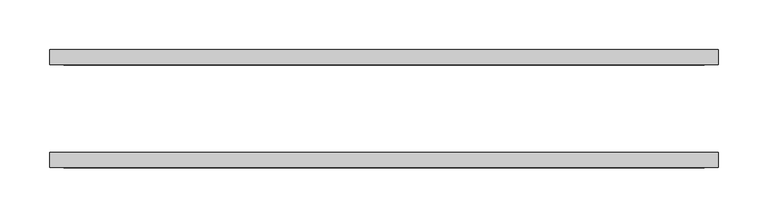
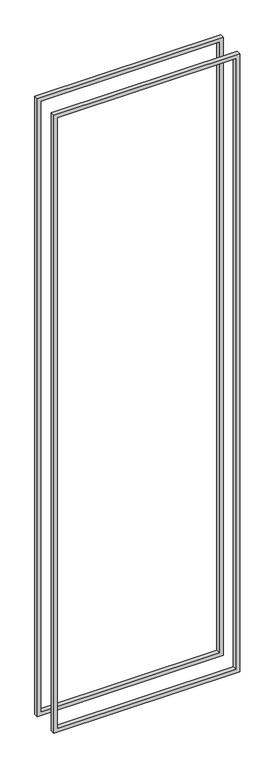
"""IFC4 building model written with IfcOpenShell, lengths in millimetres: proxy geometry."""

from ifc_helpers import new_model, si_unit, frame, origin, place, context, project, spatial, polyline, outline, extrude, source, transform, mapped, element, save


def generic_models_a79ad1a6(model_context):
    return source(origin(), model_context, "Body", "SweptSolid", [
        extrude(outline(polyline([(2392.3625, -649.2875), (26.9875, -649.2875), (26.9875, 23.8125), (2392.3625, 23.8125), (2392.3625, -649.2875)]), holes=[polyline([(2378.075, 9.525), (41.275, 9.525), (41.275, -635.0), (2378.075, -635.0), (2378.075, 9.525)])]), frame((0.0, -59.53125, 0.0), z_axis=(0.0, 1.0, 0.0), x_axis=(0.0, 0.0, 1.0)), (0.0, 0.0, 1.0), 15.08125),
        extrude(outline(polyline([(26.9875, 23.8125), (2392.3625, 23.8125), (2392.3625, -649.2875), (26.9875, -649.2875), (26.9875, 23.8125)]), holes=[polyline([(41.275, -635.0), (2378.075, -635.0), (2378.075, 9.525), (41.275, 9.525), (41.275, -635.0)])]), frame((0.0, 44.45, 0.0), z_axis=(0.0, 1.0, 0.0), x_axis=(0.0, 0.0, 1.0)), (0.0, 0.0, 1.0), 15.08125),
    ])


if __name__ == "__main__":
    model = new_model("IFC4")
    model_context = context("Model", 3, world=origin())
    ifc_project = project(units=[si_unit("LENGTHUNIT", "METRE", prefix="MILLI")], contexts=[model_context])
    site = spatial("IfcSite", under=ifc_project)
    building = spatial("IfcBuilding", under=site)
    placement = place(None, origin())
    generic_models_shape = generic_models_a79ad1a6(model_context)
    element("IfcBuildingElementProxy", 1, Name="Generic Models", at=placement, inside=building, context=model_context, shape_type="MappedRepresentation", body=[
        mapped(generic_models_shape, transform((0.0, 0.0, 0.0), x_axis=(1.0, 0.0, 0.0), y_axis=(0.0, 1.0, 0.0), z_axis=(0.0, 0.0, 1.0))),
    ])
    save(model, "model.ifc")
